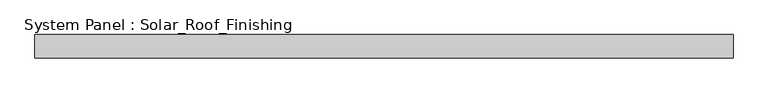
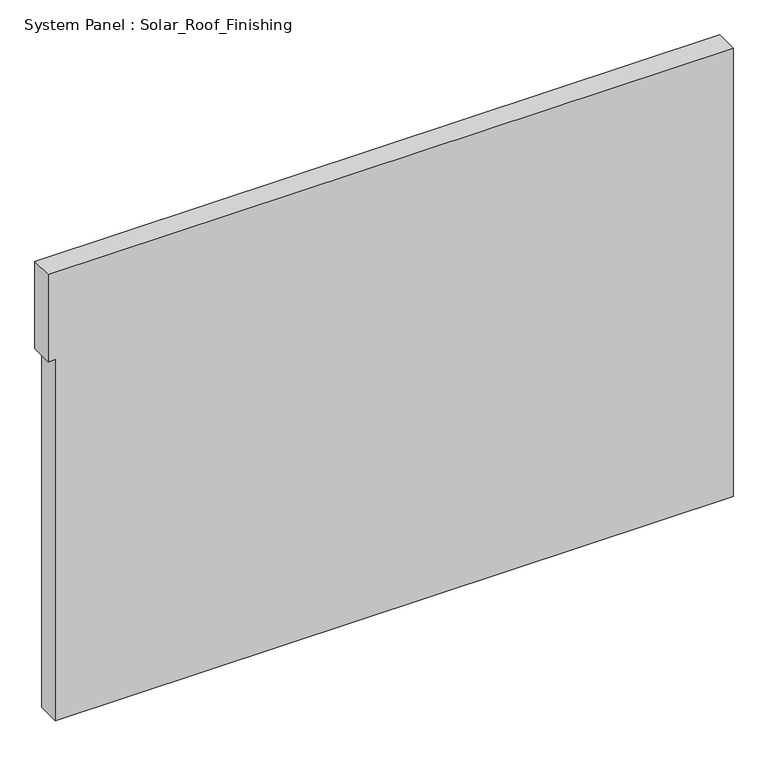
"""IFC4 building model written with IfcOpenShell, lengths in millimetres: plate geometry, System Panel : Solar_Roof_Finishing."""

from ifc_helpers import new_model, si_unit, frame, origin, place, context, project, spatial, polyline, outline, extrude, source, transform, mapped, element, save


def system_panel_solar_roof_finishing_81c0a1cb(model_context):
    return source(origin(), model_context, "Body", "SweptSolid", [
        extrude(outline(polyline([(0.0, -877.5), (0.0, 895.5), (1240.0, 895.5), (1240.0, -895.5), (998.889113, -895.5), (998.889113, -877.5), (0.0, -877.5)])), frame((0.0, -10.5, 0.0), z_axis=(0.0, 1.0, 0.0), x_axis=(0.0, 0.0, 1.0)), (0.0, 0.0, 1.0), 60.0),
    ])


if __name__ == "__main__":
    model = new_model("IFC4")
    model_context = context("Model", 3, world=origin())
    ifc_project = project(units=[si_unit("LENGTHUNIT", "METRE", prefix="MILLI")], contexts=[model_context])
    site = spatial("IfcSite", under=ifc_project)
    building = spatial("IfcBuilding", under=site)
    placement = place(None, origin())
    system_panel_solar_roof_finishing_shape = system_panel_solar_roof_finishing_81c0a1cb(model_context)
    element("IfcPlate", 1, ObjectType="System Panel : Solar_Roof_Finishing", at=placement, inside=building, context=model_context, shape_type="MappedRepresentation", body=[
        mapped(system_panel_solar_roof_finishing_shape, transform((0.0, 0.0, 0.0), x_axis=(1.0, 0.0, 0.0), y_axis=(0.0, 1.0, 0.0), z_axis=(0.0, 0.0, 1.0))),
    ])
    save(model, "model.ifc")
